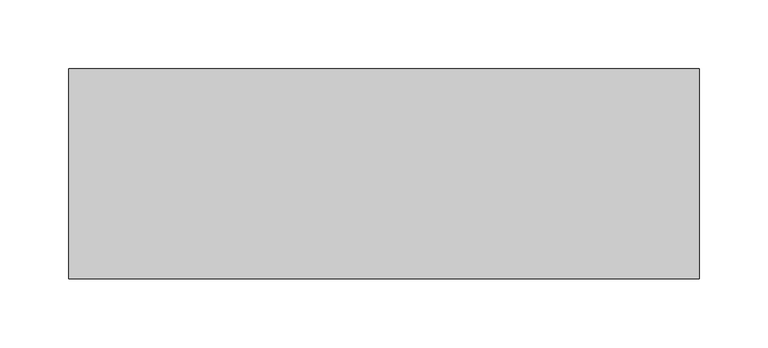
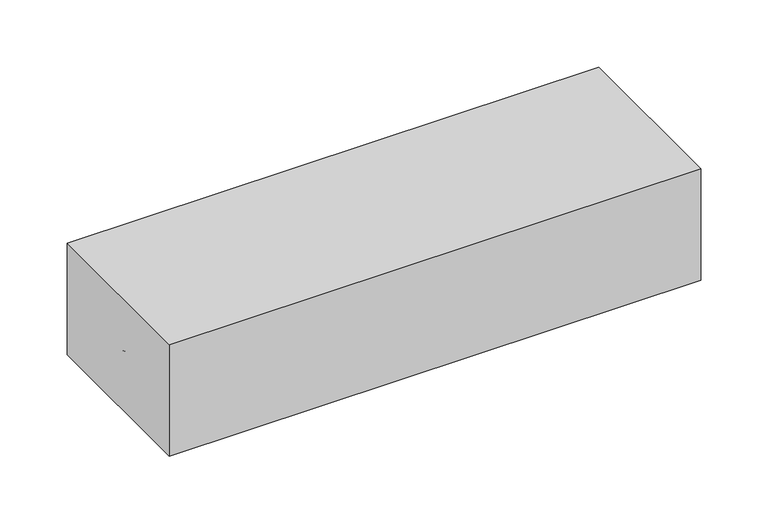
"""IFC4 building model written with IfcOpenShell, lengths in millimetres: proxy geometry."""

from ifc_helpers import new_model, si_unit, point, frame, frame_2d, origin, origin_with_axes, place, context, project, spatial, polyline, circle_curve, ellipse_curve, trimmed, segment, composite_curve, outline, extrude, source, transform, mapped, element, save
from ifc_brep_helpers import plane_surface, cylinder_surface, advanced_brep


def specialty_equipment_f6b12f3d(model_context):
    return source(origin(), model_context, "Body", "SolidModel", [
        extrude(outline(composite_curve([segment(trimmed(circle_curve(frame_2d((0.0, -3.2294356)), 3.2294356), [point((0.0, -6.4588713))], [point((0.0, 0.0))], False, "CARTESIAN"), True, "CONTINUOUS"), segment(trimmed(circle_curve(frame_2d((0.0, -3.2294356)), 3.2294356), [point((0.0, 0.0))], [point((0.0, -6.4588713))], False, "CARTESIAN"), True, "CONTINUOUS")], self_intersect=False)), frame((-173.3876614, 0.0, 10.1164515), z_axis=(-0.7999999999999927, 0.0, 0.6000000000000097), x_axis=(0.0, 1.0, 0.0)), (0.0, 0.0, 1.0), 64.4219896),
        extrude(outline(composite_curve([segment(trimmed(circle_curve(frame_2d((0.0, -3.2294356)), 3.2294356), [point((0.0, -6.4588713))], [point((0.0, 0.0))], False, "CARTESIAN"), True, "CONTINUOUS"), segment(trimmed(circle_curve(frame_2d((0.0, -3.2294356)), 3.2294356), [point((0.0, 0.0))], [point((0.0, -6.4588713))], False, "CARTESIAN"), True, "CONTINUOUS")], self_intersect=False)), frame((-169.5123386, 0.0, 10.1164515), z_axis=(0.7999999999999927, 0.0, 0.6000000000000097), x_axis=(0.0, -1.0, 0.0)), (0.0, 0.0, 1.0), 64.4219896),
        extrude(outline(composite_curve([segment(trimmed(circle_curve(frame_2d((0.0, -3.2294356)), 3.2294356), [point((0.0, -6.4588713))], [point((0.0, 0.0))], False, "CARTESIAN"), True, "CONTINUOUS"), segment(trimmed(circle_curve(frame_2d((0.0, -3.2294356)), 3.2294356), [point((0.0, 0.0))], [point((0.0, -6.4588713))], False, "CARTESIAN"), True, "CONTINUOUS")], self_intersect=False)), frame((169.5123386, 0.0, 10.1164515), z_axis=(-0.7999999999999927, 0.0, 0.6000000000000097), x_axis=(0.0, 1.0, 0.0)), (0.0, 0.0, 1.0), 64.4219896),
        extrude(outline(composite_curve([segment(trimmed(circle_curve(frame_2d((0.0, -3.2294356)), 3.2294356), [point((0.0, -6.4588713))], [point((0.0, 0.0))], False, "CARTESIAN"), True, "CONTINUOUS"), segment(trimmed(circle_curve(frame_2d((0.0, -3.2294356)), 3.2294356), [point((0.0, 0.0))], [point((0.0, -6.4588713))], False, "CARTESIAN"), True, "CONTINUOUS")], self_intersect=False)), frame((173.3876614, 0.0, 10.1164515), z_axis=(0.7999999999999927, 0.0, 0.6000000000000097), x_axis=(0.0, -1.0, 0.0)), (0.0, 0.0, 1.0), 64.4219896),
        extrude(outline(polyline([(228.6, 76.2), (228.6, -76.2), (-228.6, -76.2), (-228.6, 76.2), (228.6, 76.2)])), origin_with_axes(), (0.0, 0.0, 1.0), 101.6),
        advanced_brep(
        [(-53.475253, 0.0, 48.7696452), (-49.5999303, 0.0, 53.9367422), (-5.3823927, 0.0, 12.7), (0.0, -3.2294356, 12.7), (0.0, 0.0, 16.7367945), (0.0, 3.2294356, 12.7), (53.475253, 0.0, 48.7696452), (49.5999303, 0.0, 53.9367422), (5.3823927, 0.0, 12.7), (-228.6, -76.2, 12.7), (228.6, -76.2, 12.7), (228.6, 76.2, 12.7), (-228.6, 76.2, 12.7), (-228.6, -76.2, 0.0), (-228.6, 76.2, 0.0), (228.6, 76.2, 0.0), (228.6, -76.2, 0.0)],
        [
            (0, 1, circle_curve(frame((-51.5375917, 0.0, 51.3531937), z_axis=(-0.7999999999999928, 0.0, 0.6000000000000097), x_axis=(0.6000000000000097, 0.0, 0.7999999999999928)), 3.2294356)),
            (1, 0, circle_curve(frame((-51.5375917, 0.0, 51.3531937), z_axis=(-0.7999999999999928, 0.0, 0.6000000000000097), x_axis=(0.6000000000000097, 0.0, 0.7999999999999928)), 3.2294356)),
            (0, 2),
            (2, 3, ellipse_curve(frame((0.0, 0.0, 12.7), z_axis=(0.0, 0.0, 1.0), x_axis=(-0.9999999999999999, 0.0, 0.0)), 5.3823927, 3.2294356)),
            (3, 4, ellipse_curve(frame((0.0, 0.0, 12.7), z_axis=(-0.9999999999999999, 0.0, 0.0), x_axis=(0.0, 0.0, 1.0)), 4.0367945, 3.2294356)),
            (4, 1),
            (4, 5, ellipse_curve(frame((0.0, 0.0, 12.7), z_axis=(-0.9999999999999999, 0.0, 0.0), x_axis=(0.0, 0.0, 1.0)), 4.0367945, 3.2294356)),
            (5, 2, ellipse_curve(frame((0.0, 0.0, 12.7), z_axis=(0.0, 0.0, 1.0), x_axis=(-0.9999999999999999, 0.0, 0.0)), 5.3823927, 3.2294356)),
            (6, 7, circle_curve(frame((51.5375917, 0.0, 51.3531937), z_axis=(0.7999999999999928, 0.0, 0.6000000000000097), x_axis=(-0.6000000000000097, 0.0, 0.7999999999999928)), 3.2294356)),
            (7, 6, circle_curve(frame((51.5375917, 0.0, 51.3531937), z_axis=(0.7999999999999928, 0.0, 0.6000000000000097), x_axis=(-0.6000000000000097, 0.0, 0.7999999999999928)), 3.2294356)),
            (7, 4),
            (3, 8, ellipse_curve(frame((0.0, 0.0, 12.7), z_axis=(0.0, 0.0, 1.0), x_axis=(0.9999999999999999, 0.0, 0.0)), 5.3823927, 3.2294356)),
            (8, 6),
            (8, 5, ellipse_curve(frame((0.0, 0.0, 12.7), z_axis=(0.0, 0.0, 1.0), x_axis=(0.9999999999999999, 0.0, 0.0)), 5.3823927, 3.2294356)),
            (9, 10),
            (10, 11),
            (11, 12),
            (12, 9),
            (13, 14),
            (14, 15),
            (15, 16),
            (16, 13),
            (12, 14),
            (13, 9),
            (11, 15),
            (10, 16),
        ],
        [
            plane_surface(frame((-49.5999303, 0.0, 53.9367422), z_axis=(-0.7999999999999927, 0.0, 0.6000000000000097), x_axis=(0.0, 1.0, 0.0))),
            cylinder_surface(frame((0.0, 0.0, 12.7), z_axis=(-0.7999999999999928, 0.0, 0.6000000000000097), x_axis=(0.6000000000000097, 0.0, 0.7999999999999928)), 3.2294356),
            plane_surface(frame((49.5999303, 0.0, 53.9367422), z_axis=(0.7999999999999927, 0.0, 0.6000000000000097), x_axis=(0.0, -1.0, 0.0))),
            cylinder_surface(frame((0.0, 0.0, 12.7), z_axis=(0.7999999999999928, 0.0, 0.6000000000000097), x_axis=(-0.6000000000000097, 0.0, 0.7999999999999928)), 3.2294356),
            plane_surface(frame((25.4, -76.2, 12.7), z_axis=(0.0, 0.0, 1.0), x_axis=(1.0, 0.0, 0.0))),
            plane_surface(frame((25.4, -76.2, 0.0), z_axis=(0.0, 0.0, -1.0), x_axis=(-1.0, 0.0, 0.0))),
            plane_surface(frame((-228.6, 76.2, 12.7), z_axis=(-1.0, 0.0, 0.0), x_axis=(0.0, 0.0, -1.0))),
            plane_surface(frame((228.6, 76.2, 12.7), z_axis=(0.0, 1.0, 0.0), x_axis=(0.0, 0.0, -1.0))),
            plane_surface(frame((228.6, -76.2, 12.7), z_axis=(1.0, 0.0, 0.0), x_axis=(0.0, 0.0, -1.0))),
            plane_surface(frame((-228.6, -76.2, 12.7), z_axis=(0.0, -1.0, 0.0), x_axis=(0.0, 0.0, -1.0))),
        ],
        [
            (0, [[1, 2]]),
            (1, [[-1, 3, 4, 5, 6]]),
            (1, [[-2, -6, 7, 8, -3]]),
            (2, [[9, 10]]),
            (3, [[-10, 11, -5, 12, 13]]),
            (3, [[-9, -13, 14, -7, -11]]),
            (4, [[15, 16, 17, 18], [-4, -8, -14, -12]]),
            (5, [[19, 20, 21, 22]]),
            (6, [[-18, 23, -19, 24]]),
            (7, [[-17, 25, -20, -23]]),
            (8, [[-16, 26, -21, -25]]),
            (9, [[-15, -24, -22, -26]]),
        ],
    ),
    ])


if __name__ == "__main__":
    model = new_model("IFC4")
    model_context = context("Model", 3, world=origin())
    ifc_project = project(units=[si_unit("LENGTHUNIT", "METRE", prefix="MILLI")], contexts=[model_context])
    site = spatial("IfcSite", under=ifc_project)
    building = spatial("IfcBuilding", under=site)
    placement = place(None, origin())
    specialty_equipment_shape = specialty_equipment_f6b12f3d(model_context)
    element("IfcBuildingElementProxy", 1, Name="Specialty Equipment", at=placement, inside=building, context=model_context, shape_type="MappedRepresentation", body=[
        mapped(specialty_equipment_shape, transform((0.0, 0.0, 0.0), x_axis=(1.0, 0.0, 0.0), y_axis=(0.0, 1.0, 0.0), z_axis=(0.0, 0.0, 1.0))),
    ])
    save(model, "model.ifc")
